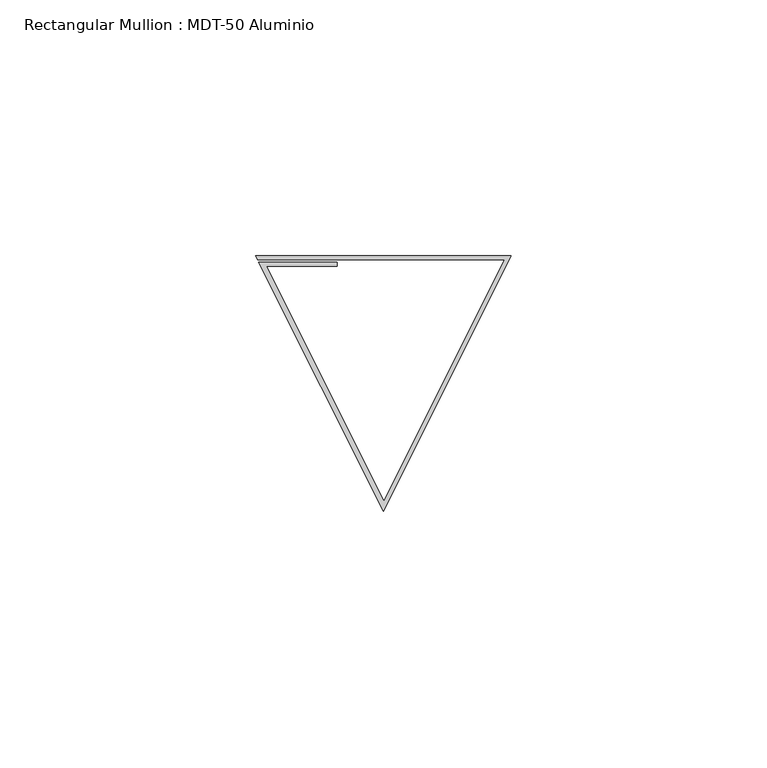
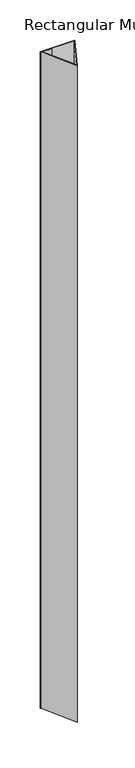
"""IFC4 building model written with IfcOpenShell, lengths in millimetres: member geometry, Rectangular Mullion : MDT-50 Aluminio."""

from ifc_helpers import new_model, si_unit, frame, origin, place, context, project, spatial, polyline, outline, extrude, source, transform, mapped, element, save


def rectangular_mullion_mdt_50_aluminio_d408965b(model_context):
    return source(origin(), model_context, "Body", "SweptSolid", [
        extrude(outline(polyline([(0.0, 0.0), (-24.9990934, -49.9985533), (-49.3620277, -1.2758615), (-34.0120049, -1.2758615), (-34.0120049, -2.0758615), (-47.843953, -2.0758615), (-24.8873186, -47.986137), (-1.2944229, -0.8), (-49.5999739, -0.8), (-50.0, 0.0), (0.0, 0.0)])), frame((0.0, 0.0, -1000.0), z_axis=(0.0, 0.0, 1.0), x_axis=(1.0, 0.0, 0.0)), (0.0, 0.0, 1.0), 1000.0),
    ])


if __name__ == "__main__":
    model = new_model("IFC4")
    model_context = context("Model", 3, world=origin())
    ifc_project = project(units=[si_unit("LENGTHUNIT", "METRE", prefix="MILLI")], contexts=[model_context])
    site = spatial("IfcSite", under=ifc_project)
    building = spatial("IfcBuilding", under=site)
    placement = place(None, origin())
    rectangular_mullion_mdt_50_aluminio_shape = rectangular_mullion_mdt_50_aluminio_d408965b(model_context)
    element("IfcMember", 1, ObjectType="Rectangular Mullion : MDT-50 Aluminio", at=placement, inside=building, context=model_context, shape_type="MappedRepresentation", body=[
        mapped(rectangular_mullion_mdt_50_aluminio_shape, transform((0.0, 0.0, 0.0), x_axis=(1.0, 0.0, 0.0), y_axis=(0.0, 1.0, 0.0), z_axis=(0.0, 0.0, 1.0))),
    ])
    save(model, "model.ifc")
